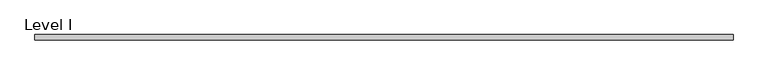
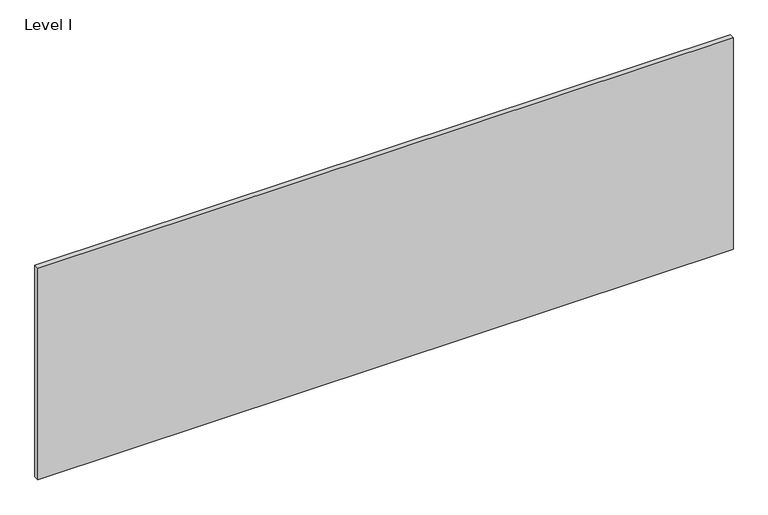
"""IFC4 building model written with IfcOpenShell, lengths in millimetres: proxy geometry, Level I."""

from ifc_helpers import new_model, si_unit, frame, origin, place, context, project, spatial, polyline, outline, extrude, source, transform, mapped, element, save


def level_i_b17bdb42(model_context):
    return source(origin(), model_context, "Body", "SweptSolid", [
        extrude(outline(polyline([(1259.8356344, -9.525), (-1259.8356344, -9.525), (-1259.8356344, 9.525), (1259.8356344, 9.525), (1259.8356344, -9.525)])), frame((0.0, 0.0, 3.175), z_axis=(0.0, 0.0, 1.0), x_axis=(1.0, 0.0, 0.0)), (0.0, 0.0, 1.0), 810.768),
    ])


if __name__ == "__main__":
    model = new_model("IFC4")
    model_context = context("Model", 3, world=origin())
    ifc_project = project(units=[si_unit("LENGTHUNIT", "METRE", prefix="MILLI")], contexts=[model_context])
    site = spatial("IfcSite", under=ifc_project)
    building = spatial("IfcBuilding", under=site)
    placement = place(None, origin())
    level_i_shape = level_i_b17bdb42(model_context)
    element("IfcBuildingElementProxy", 1, Name="Level I", ObjectType="Level I", at=placement, inside=building, context=model_context, shape_type="MappedRepresentation", body=[
        mapped(level_i_shape, transform((0.0, 0.0, 0.0), x_axis=(1.0, 0.0, 0.0), y_axis=(0.0, 1.0, 0.0), z_axis=(0.0, 0.0, 1.0))),
    ])
    save(model, "model.ifc")
